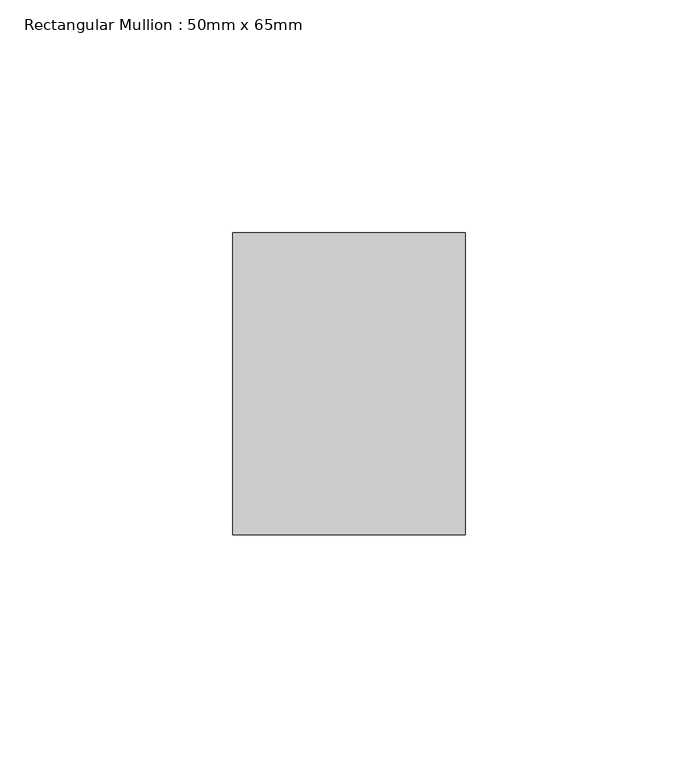
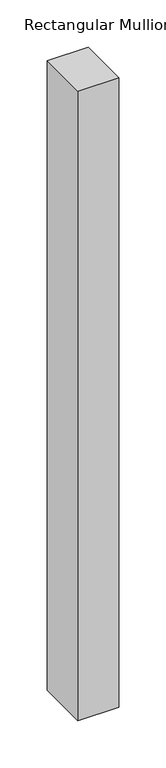
"""IFC4 building model written with IfcOpenShell, lengths in millimetres: member geometry, Rectangular Mullion : 50mm x 65mm."""

from ifc_helpers import new_model, si_unit, frame, origin, place, context, project, spatial, polyline, outline, extrude, source, transform, mapped, element, save


def rectangular_mullion_50mm_x_65mm_07df8dcd(model_context):
    return source(origin(), model_context, "Body", "SweptSolid", [
        extrude(outline(polyline([(0.0, 32.5), (0.0, -32.5), (-50.0, -32.5), (-50.0, 32.5), (0.0, 32.5)])), frame((0.0, 0.0, -815.0), z_axis=(0.0, 0.0, 1.0), x_axis=(1.0, 0.0, 0.0)), (0.0, 0.0, 1.0), 815.0),
    ])


if __name__ == "__main__":
    model = new_model("IFC4")
    model_context = context("Model", 3, world=origin())
    ifc_project = project(units=[si_unit("LENGTHUNIT", "METRE", prefix="MILLI")], contexts=[model_context])
    site = spatial("IfcSite", under=ifc_project)
    building = spatial("IfcBuilding", under=site)
    placement = place(None, origin())
    rectangular_mullion_50mm_x_65mm_shape = rectangular_mullion_50mm_x_65mm_07df8dcd(model_context)
    element("IfcMember", 1, ObjectType="Rectangular Mullion : 50mm x 65mm", at=placement, inside=building, context=model_context, shape_type="MappedRepresentation", body=[
        mapped(rectangular_mullion_50mm_x_65mm_shape, transform((0.0, 0.0, 0.0), x_axis=(1.0, 0.0, 0.0), y_axis=(0.0, 1.0, 0.0), z_axis=(0.0, 0.0, 1.0))),
    ])
    save(model, "model.ifc")
